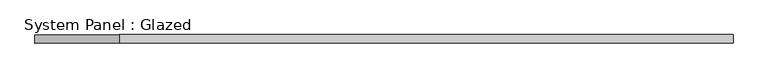
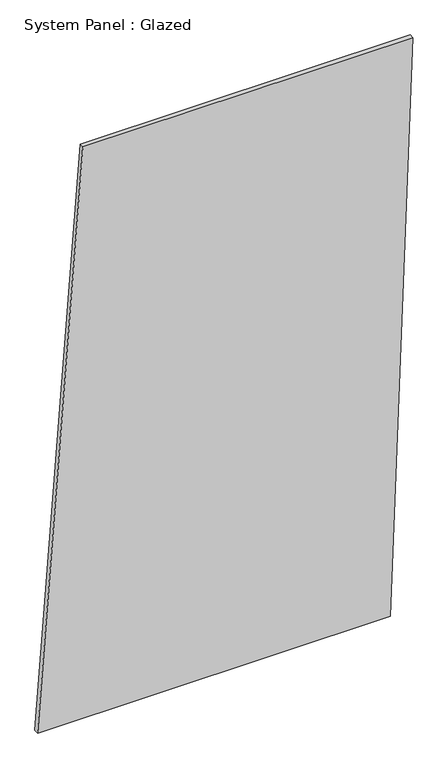
"""IFC4 building model written with IfcOpenShell, lengths in millimetres: plate geometry, System Panel : Glazed."""

import ifcopenshell
import ifcopenshell.guid

model = None  # the IFC model being written
_history = None  # IfcOwnerHistory: only IFC2X3 demands one
_inside = {}  # id of a spatial element -> (the spatial element, [elements in it])
_under = {}  # id of a project, library or spatial element -> (it, [spatial elements below it])
_declared = {}  # id of a project -> (the project, [libraries it declares])
_typed = {}  # id of a type object -> (the type object, [elements of that type])
_made_of = {}  # id of a material, layer set ... -> (it, [elements and type objects made of it])


def new_model(schema):
    """Start an empty IFC model of exactly this schema.

    Asked for "IFC4X3", IfcOpenShell would pick the latest addendum, in which some entities
    have other attributes; the version numbers below select the first issue.
    IFC2X3 requires an IfcOwnerHistory on every rooted entity: one is made here for all.
    """
    global model, _history
    if schema == "IFC4X3":
        model = ifcopenshell.file(schema_version=(4, 3, 0, 0))
    else:
        model = ifcopenshell.file(schema=schema)
    _inside.clear()
    _under.clear()
    _declared.clear()
    _typed.clear()
    _made_of.clear()
    _history = None
    if model.schema == "IFC2X3":
        org = make("IfcOrganization", Name="unknown")
        user = make(
            "IfcPersonAndOrganization",
            ThePerson=make("IfcPerson", FamilyName="unknown"),
            TheOrganization=org,
        )
        app = make(
            "IfcApplication",
            ApplicationDeveloper=org,
            Version="unknown",
            ApplicationFullName="unknown",
            ApplicationIdentifier="unknown",
        )
        _history = make(
            "IfcOwnerHistory",
            OwningUser=user,
            OwningApplication=app,
            ChangeAction="ADDED",
            CreationDate=0,
        )
    return model


def make(cls, **values):
    """One entity of the class cls with the attributes given. An attribute that is None is left unset."""
    return model.create_entity(
        cls, **{name: value for name, value in values.items() if value is not None}
    )


def rooted(cls, **values):
    """An entity with a GlobalId (a new one), such as an element, a storey or a relation."""
    return make(cls, GlobalId=ifcopenshell.guid.new(), OwnerHistory=_history, **values)


def si_unit(unit_type, name, prefix=None):
    """IfcSIUnit, for example si_unit("LENGTHUNIT", "METRE", prefix="MILLI")."""
    return make("IfcSIUnit", UnitType=unit_type, Prefix=prefix, Name=name)


def assignment(units):
    """IfcUnitAssignment: the units of a project."""
    return None if units is None else make("IfcUnitAssignment", Units=units)


def point(xyz):
    """IfcCartesianPoint."""
    return None if xyz is None else make("IfcCartesianPoint", Coordinates=xyz)


def direction(xyz):
    """IfcDirection."""
    return None if xyz is None else make("IfcDirection", DirectionRatios=xyz)


def frame(location, z_axis=None, x_axis=None):
    """IfcAxis2Placement3D, a coordinate frame: its origin and axes. An axis left out is left unset."""
    return make(
        "IfcAxis2Placement3D",
        Location=point(location),
        Axis=direction(z_axis),
        RefDirection=direction(x_axis),
    )


def origin():
    """The frame at (0, 0, 0) with its axes left unset."""
    return frame((0.0, 0.0, 0.0))


def place(relative_to, where):
    """IfcLocalPlacement: puts the frame where relative to a parent placement (None: the world)."""
    return make(
        "IfcLocalPlacement", PlacementRelTo=relative_to, RelativePlacement=where
    )


def context(
    kind, dimensions, precision=None, world=None, true_north=None, identifier=None
):
    """IfcGeometricRepresentationContext, for example the 3D "Model" context."""
    return make(
        "IfcGeometricRepresentationContext",
        ContextIdentifier=identifier,
        ContextType=kind,
        CoordinateSpaceDimension=dimensions,
        Precision=precision,
        WorldCoordinateSystem=world,
        TrueNorth=true_north,
    )


def project(units=None, contexts=None):
    """IfcProject with its units and contexts."""
    return rooted(
        "IfcProject",
        Name="project",
        RepresentationContexts=contexts,
        UnitsInContext=assignment(units),
    )


def spatial(cls, under=None, at=None, **own):
    """A site, building, storey or space (cls), placed at a placement, below another one or the project."""
    s = rooted(cls, ObjectPlacement=at, **own)
    if under is not None:
        _under.setdefault(under.id(), (under, []))[1].append(s)
    return s


def polyline(points):
    """IfcPolyline through the points."""
    return make("IfcPolyline", Points=[point(p) for p in points])


def outline(outer, holes=None, kind="AREA"):
    """IfcArbitraryClosedProfileDef: a profile drawn as a closed curve; with holes, ...WithVoids."""
    if holes is None:
        return make("IfcArbitraryClosedProfileDef", ProfileType=kind, OuterCurve=outer)
    return make(
        "IfcArbitraryProfileDefWithVoids",
        ProfileType=kind,
        OuterCurve=outer,
        InnerCurves=holes,
    )


def extrude(swept, where, along, depth):
    """IfcExtrudedAreaSolid: the profile swept, set in the frame where, extruded along a direction by depth."""
    return make(
        "IfcExtrudedAreaSolid",
        SweptArea=swept,
        Position=where,
        ExtrudedDirection=direction(along),
        Depth=depth,
    )


def shape(context_of_items, identifier, shape_type, items):
    """IfcShapeRepresentation: the items that make up one representation, for example the "Body"."""
    return make(
        "IfcShapeRepresentation",
        ContextOfItems=context_of_items,
        RepresentationIdentifier=identifier,
        RepresentationType=shape_type,
        Items=items,
    )


def source(mapping_origin, context_of_items, identifier, shape_type, items):
    """IfcRepresentationMap: a shape defined once, which mapped items show again and again."""
    return make(
        "IfcRepresentationMap",
        MappingOrigin=mapping_origin,
        MappedRepresentation=shape(context_of_items, identifier, shape_type, items),
    )


def transform(
    local_origin,
    x_axis=None,
    y_axis=None,
    z_axis=None,
    scale=None,
    scale2=None,
    scale3=None,
    uniform=True,
):
    """IfcCartesianTransformationOperator3D, or its non-uniform kind. x_axis, y_axis, z_axis: its Axis1, 2, 3."""
    if uniform:
        return make(
            "IfcCartesianTransformationOperator3D",
            Axis1=direction(x_axis),
            Axis2=direction(y_axis),
            LocalOrigin=point(local_origin),
            Scale=scale,
            Axis3=direction(z_axis),
        )
    return make(
        "IfcCartesianTransformationOperator3DnonUniform",
        Axis1=direction(x_axis),
        Axis2=direction(y_axis),
        LocalOrigin=point(local_origin),
        Scale=scale,
        Axis3=direction(z_axis),
        Scale2=scale2,
        Scale3=scale3,
    )


def mapped(mapping_source, mapping_target):
    """IfcMappedItem: shows the shape of a source again, moved by a transform."""
    return make(
        "IfcMappedItem", MappingSource=mapping_source, MappingTarget=mapping_target
    )


def made_of(thing, what):
    """Note that an element or type object is made of a material, layer set ...; save() writes the relation."""
    if what is not None:
        _made_of.setdefault(what.id(), (what, []))[1].append(thing)
    return thing


def element(
    cls,
    number,
    at=None,
    inside=None,
    cuts=None,
    type_object=None,
    material=None,
    context=None,
    identifier="Body",
    shape_type=None,
    held_by="IfcProductDefinitionShape",
    body=None,
    shapes=None,
    **own,
):
    """One element of the class cls, such as IfcWall. Its Tag is "e" and its number.

    at: its placement. inside: the storey or other place that contains it. cuts: it is an
    opening in that element (IfcRelVoidsElement). A single representation is given by context,
    identifier, shape_type and body (its items); several are given by shapes. held_by: the class
    of the entity that holds the representations. save() writes the other relations.
    """
    e = rooted(cls, Tag="e%d" % number, ObjectPlacement=at, **own)
    if body is not None:
        shapes = [shape(context, identifier, shape_type, body)]
    if shapes is not None:
        e.Representation = make(held_by, Representations=shapes)
    if inside is not None:
        _inside.setdefault(inside.id(), (inside, []))[1].append(e)
    if cuts is not None:
        rooted(
            "IfcRelVoidsElement", RelatingBuildingElement=cuts, RelatedOpeningElement=e
        )
    if type_object is not None:
        _typed.setdefault(type_object.id(), (type_object, []))[1].append(e)
    return made_of(e, material)


def aggregate(whole, parts):
    """IfcRelAggregates: a whole, such as a stair, and the parts it consists of."""
    return rooted("IfcRelAggregates", RelatingObject=whole, RelatedObjects=parts)


def save(model, path):
    """Write the relations noted so far, then the file.

    IfcRelAggregates (storeys below a building ...), IfcRelContainedInSpatialStructure (elements
    in a storey), IfcRelDefinesByType, IfcRelAssociatesMaterial and IfcRelDeclares: one each for
    every whole, place, type object, material and project.
    """
    for whole, parts in _under.values():
        aggregate(whole, parts)
    for where, things in _inside.values():
        rooted(
            "IfcRelContainedInSpatialStructure",
            RelatedElements=things,
            RelatingStructure=where,
        )
    for kind, things in _typed.values():
        rooted("IfcRelDefinesByType", RelatedObjects=things, RelatingType=kind)
    for what, things in _made_of.values():
        rooted("IfcRelAssociatesMaterial", RelatedObjects=things, RelatingMaterial=what)
    for by, libraries in _declared.values():
        rooted("IfcRelDeclares", RelatingContext=by, RelatedDefinitions=libraries)
    model.write(path)


def system_panel_glazed_ffc5e2f2(model_context):
    return source(origin(), model_context, "Body", "SweptSolid", [
        extrude(outline(polyline([(0.0, -1035.6274192), (0.0, 910.59463), (3333.4344564, 1035.6274192), (3333.4344564, -785.5618408), (0.0, -1035.6274192)])), frame((0.0, -49.5, 0.0), z_axis=(0.0, 1.0, 0.0), x_axis=(0.0, 0.0, 1.0)), (0.0, 0.0, 1.0), 25.0),
    ])


if __name__ == "__main__":
    model = new_model("IFC4")
    model_context = context("Model", 3, world=origin())
    ifc_project = project(units=[si_unit("LENGTHUNIT", "METRE", prefix="MILLI")], contexts=[model_context])
    site = spatial("IfcSite", under=ifc_project)
    building = spatial("IfcBuilding", under=site)
    placement = place(None, origin())
    system_panel_glazed_shape = system_panel_glazed_ffc5e2f2(model_context)
    element("IfcPlate", 1, ObjectType="System Panel : Glazed", at=placement, inside=building, context=model_context, shape_type="MappedRepresentation", body=[
        mapped(system_panel_glazed_shape, transform((0.0, 0.0, 0.0), x_axis=(1.0, 0.0, 0.0), y_axis=(0.0, 1.0, 0.0), z_axis=(0.0, 0.0, 1.0))),
    ])
    save(model, "model.ifc")
